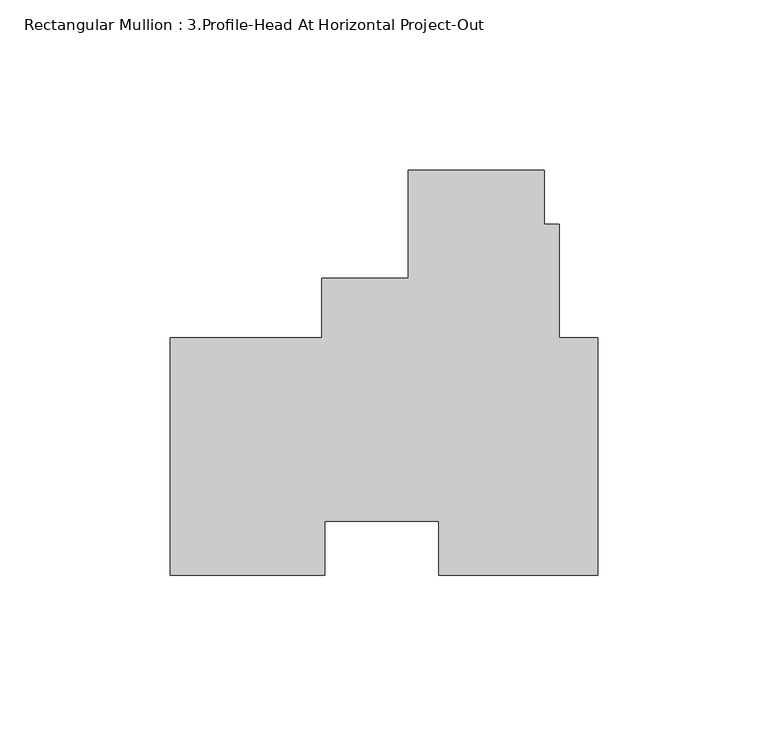
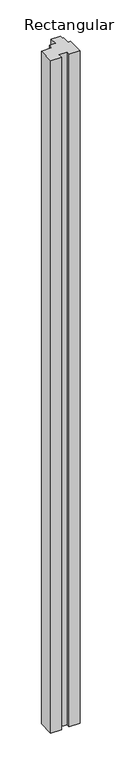
"""IFC4 building model written with IfcOpenShell, lengths in millimetres: member geometry, Rectangular Mullion : 3.Profile-Head At Horizontal Project-Out."""

from ifc_helpers import new_model, si_unit, frame, origin, place, context, project, spatial, polyline, outline, extrude, source, transform, mapped, element, save


def rectangular_mullion_3_profile_head_at_horizontal_project_out_2fcd69a4(model_context):
    return source(origin(), model_context, "Body", "SweptSolid", [
        extrude(outline(polyline([(0.0, -34.925), (-46.8444686, -34.925), (-46.8444686, -19.05), (-80.2361209, -19.05), (-80.2361209, -34.925), (-125.7808, -34.925), (-125.7808, 34.925), (-81.140198, 34.925), (-81.140198, 52.4002), (-55.7482204, 52.4002), (-55.7482204, 84.14837), (-15.7432204, 84.14837), (-15.7432204, 68.2742795), (-11.2982204, 68.2742795), (-11.2982204, 34.925), (0.0, 34.925), (0.0, -34.925)])), frame((0.0, 0.0, -3048.0), z_axis=(0.0, 0.0, 1.0), x_axis=(1.0, 0.0, 0.0)), (0.0, 0.0, 1.0), 3048.0),
    ])


if __name__ == "__main__":
    model = new_model("IFC4")
    model_context = context("Model", 3, world=origin())
    ifc_project = project(units=[si_unit("LENGTHUNIT", "METRE", prefix="MILLI")], contexts=[model_context])
    site = spatial("IfcSite", under=ifc_project)
    building = spatial("IfcBuilding", under=site)
    placement = place(None, origin())
    rectangular_mullion_3_profile_head_at_horizontal_project_out_shape = rectangular_mullion_3_profile_head_at_horizontal_project_out_2fcd69a4(model_context)
    element("IfcMember", 1, ObjectType="Rectangular Mullion : 3.Profile-Head At Horizontal Project-Out", at=placement, inside=building, context=model_context, shape_type="MappedRepresentation", body=[
        mapped(rectangular_mullion_3_profile_head_at_horizontal_project_out_shape, transform((0.0, 0.0, 0.0), x_axis=(1.0, 0.0, 0.0), y_axis=(0.0, 1.0, 0.0), z_axis=(0.0, 0.0, 1.0))),
    ])
    save(model, "model.ifc")
